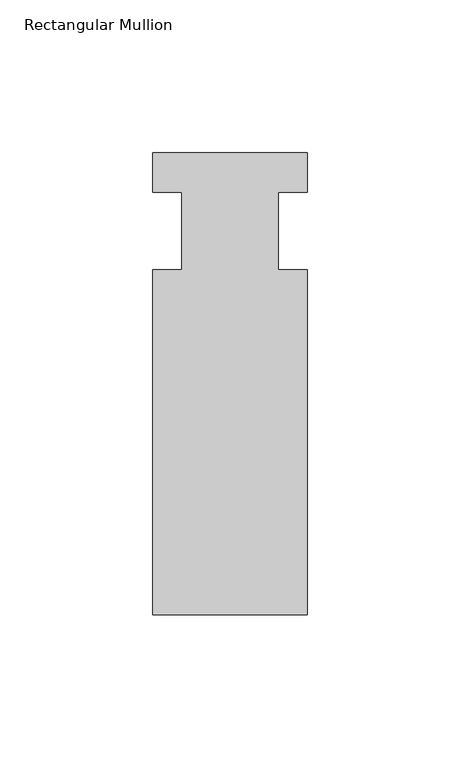
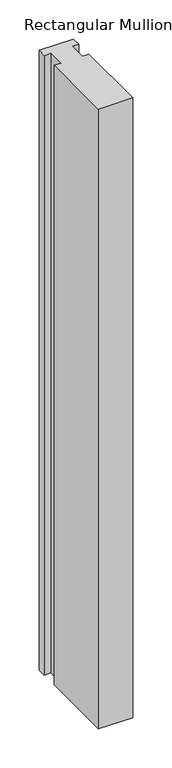
"""IFC4 building model written with IfcOpenShell, lengths in millimetres: member geometry, Rectangular Mullion."""

import ifcopenshell
import ifcopenshell.guid

model = None  # the IFC model being written
_history = None  # IfcOwnerHistory: only IFC2X3 demands one
_inside = {}  # id of a spatial element -> (the spatial element, [elements in it])
_under = {}  # id of a project, library or spatial element -> (it, [spatial elements below it])
_declared = {}  # id of a project -> (the project, [libraries it declares])
_typed = {}  # id of a type object -> (the type object, [elements of that type])
_made_of = {}  # id of a material, layer set ... -> (it, [elements and type objects made of it])


def new_model(schema):
    """Start an empty IFC model of exactly this schema.

    Asked for "IFC4X3", IfcOpenShell would pick the latest addendum, in which some entities
    have other attributes; the version numbers below select the first issue.
    IFC2X3 requires an IfcOwnerHistory on every rooted entity: one is made here for all.
    """
    global model, _history
    if schema == "IFC4X3":
        model = ifcopenshell.file(schema_version=(4, 3, 0, 0))
    else:
        model = ifcopenshell.file(schema=schema)
    _inside.clear()
    _under.clear()
    _declared.clear()
    _typed.clear()
    _made_of.clear()
    _history = None
    if model.schema == "IFC2X3":
        org = make("IfcOrganization", Name="unknown")
        user = make(
            "IfcPersonAndOrganization",
            ThePerson=make("IfcPerson", FamilyName="unknown"),
            TheOrganization=org,
        )
        app = make(
            "IfcApplication",
            ApplicationDeveloper=org,
            Version="unknown",
            ApplicationFullName="unknown",
            ApplicationIdentifier="unknown",
        )
        _history = make(
            "IfcOwnerHistory",
            OwningUser=user,
            OwningApplication=app,
            ChangeAction="ADDED",
            CreationDate=0,
        )
    return model


def make(cls, **values):
    """One entity of the class cls with the attributes given. An attribute that is None is left unset."""
    return model.create_entity(
        cls, **{name: value for name, value in values.items() if value is not None}
    )


def rooted(cls, **values):
    """An entity with a GlobalId (a new one), such as an element, a storey or a relation."""
    return make(cls, GlobalId=ifcopenshell.guid.new(), OwnerHistory=_history, **values)


def si_unit(unit_type, name, prefix=None):
    """IfcSIUnit, for example si_unit("LENGTHUNIT", "METRE", prefix="MILLI")."""
    return make("IfcSIUnit", UnitType=unit_type, Prefix=prefix, Name=name)


def assignment(units):
    """IfcUnitAssignment: the units of a project."""
    return None if units is None else make("IfcUnitAssignment", Units=units)


def point(xyz):
    """IfcCartesianPoint."""
    return None if xyz is None else make("IfcCartesianPoint", Coordinates=xyz)


def direction(xyz):
    """IfcDirection."""
    return None if xyz is None else make("IfcDirection", DirectionRatios=xyz)


def frame(location, z_axis=None, x_axis=None):
    """IfcAxis2Placement3D, a coordinate frame: its origin and axes. An axis left out is left unset."""
    return make(
        "IfcAxis2Placement3D",
        Location=point(location),
        Axis=direction(z_axis),
        RefDirection=direction(x_axis),
    )


def origin():
    """The frame at (0, 0, 0) with its axes left unset."""
    return frame((0.0, 0.0, 0.0))


def place(relative_to, where):
    """IfcLocalPlacement: puts the frame where relative to a parent placement (None: the world)."""
    return make(
        "IfcLocalPlacement", PlacementRelTo=relative_to, RelativePlacement=where
    )


def context(
    kind, dimensions, precision=None, world=None, true_north=None, identifier=None
):
    """IfcGeometricRepresentationContext, for example the 3D "Model" context."""
    return make(
        "IfcGeometricRepresentationContext",
        ContextIdentifier=identifier,
        ContextType=kind,
        CoordinateSpaceDimension=dimensions,
        Precision=precision,
        WorldCoordinateSystem=world,
        TrueNorth=true_north,
    )


def project(units=None, contexts=None):
    """IfcProject with its units and contexts."""
    return rooted(
        "IfcProject",
        Name="project",
        RepresentationContexts=contexts,
        UnitsInContext=assignment(units),
    )


def spatial(cls, under=None, at=None, **own):
    """A site, building, storey or space (cls), placed at a placement, below another one or the project."""
    s = rooted(cls, ObjectPlacement=at, **own)
    if under is not None:
        _under.setdefault(under.id(), (under, []))[1].append(s)
    return s


def polyline(points):
    """IfcPolyline through the points."""
    return make("IfcPolyline", Points=[point(p) for p in points])


def outline(outer, holes=None, kind="AREA"):
    """IfcArbitraryClosedProfileDef: a profile drawn as a closed curve; with holes, ...WithVoids."""
    if holes is None:
        return make("IfcArbitraryClosedProfileDef", ProfileType=kind, OuterCurve=outer)
    return make(
        "IfcArbitraryProfileDefWithVoids",
        ProfileType=kind,
        OuterCurve=outer,
        InnerCurves=holes,
    )


def extrude(swept, where, along, depth):
    """IfcExtrudedAreaSolid: the profile swept, set in the frame where, extruded along a direction by depth."""
    return make(
        "IfcExtrudedAreaSolid",
        SweptArea=swept,
        Position=where,
        ExtrudedDirection=direction(along),
        Depth=depth,
    )


def shape(context_of_items, identifier, shape_type, items):
    """IfcShapeRepresentation: the items that make up one representation, for example the "Body"."""
    return make(
        "IfcShapeRepresentation",
        ContextOfItems=context_of_items,
        RepresentationIdentifier=identifier,
        RepresentationType=shape_type,
        Items=items,
    )


def source(mapping_origin, context_of_items, identifier, shape_type, items):
    """IfcRepresentationMap: a shape defined once, which mapped items show again and again."""
    return make(
        "IfcRepresentationMap",
        MappingOrigin=mapping_origin,
        MappedRepresentation=shape(context_of_items, identifier, shape_type, items),
    )


def transform(
    local_origin,
    x_axis=None,
    y_axis=None,
    z_axis=None,
    scale=None,
    scale2=None,
    scale3=None,
    uniform=True,
):
    """IfcCartesianTransformationOperator3D, or its non-uniform kind. x_axis, y_axis, z_axis: its Axis1, 2, 3."""
    if uniform:
        return make(
            "IfcCartesianTransformationOperator3D",
            Axis1=direction(x_axis),
            Axis2=direction(y_axis),
            LocalOrigin=point(local_origin),
            Scale=scale,
            Axis3=direction(z_axis),
        )
    return make(
        "IfcCartesianTransformationOperator3DnonUniform",
        Axis1=direction(x_axis),
        Axis2=direction(y_axis),
        LocalOrigin=point(local_origin),
        Scale=scale,
        Axis3=direction(z_axis),
        Scale2=scale2,
        Scale3=scale3,
    )


def mapped(mapping_source, mapping_target):
    """IfcMappedItem: shows the shape of a source again, moved by a transform."""
    return make(
        "IfcMappedItem", MappingSource=mapping_source, MappingTarget=mapping_target
    )


def made_of(thing, what):
    """Note that an element or type object is made of a material, layer set ...; save() writes the relation."""
    if what is not None:
        _made_of.setdefault(what.id(), (what, []))[1].append(thing)
    return thing


def element(
    cls,
    number,
    at=None,
    inside=None,
    cuts=None,
    type_object=None,
    material=None,
    context=None,
    identifier="Body",
    shape_type=None,
    held_by="IfcProductDefinitionShape",
    body=None,
    shapes=None,
    **own,
):
    """One element of the class cls, such as IfcWall. Its Tag is "e" and its number.

    at: its placement. inside: the storey or other place that contains it. cuts: it is an
    opening in that element (IfcRelVoidsElement). A single representation is given by context,
    identifier, shape_type and body (its items); several are given by shapes. held_by: the class
    of the entity that holds the representations. save() writes the other relations.
    """
    e = rooted(cls, Tag="e%d" % number, ObjectPlacement=at, **own)
    if body is not None:
        shapes = [shape(context, identifier, shape_type, body)]
    if shapes is not None:
        e.Representation = make(held_by, Representations=shapes)
    if inside is not None:
        _inside.setdefault(inside.id(), (inside, []))[1].append(e)
    if cuts is not None:
        rooted(
            "IfcRelVoidsElement", RelatingBuildingElement=cuts, RelatedOpeningElement=e
        )
    if type_object is not None:
        _typed.setdefault(type_object.id(), (type_object, []))[1].append(e)
    return made_of(e, material)


def aggregate(whole, parts):
    """IfcRelAggregates: a whole, such as a stair, and the parts it consists of."""
    return rooted("IfcRelAggregates", RelatingObject=whole, RelatedObjects=parts)


def save(model, path):
    """Write the relations noted so far, then the file.

    IfcRelAggregates (storeys below a building ...), IfcRelContainedInSpatialStructure (elements
    in a storey), IfcRelDefinesByType, IfcRelAssociatesMaterial and IfcRelDeclares: one each for
    every whole, place, type object, material and project.
    """
    for whole, parts in _under.values():
        aggregate(whole, parts)
    for where, things in _inside.values():
        rooted(
            "IfcRelContainedInSpatialStructure",
            RelatedElements=things,
            RelatingStructure=where,
        )
    for kind, things in _typed.values():
        rooted("IfcRelDefinesByType", RelatedObjects=things, RelatingType=kind)
    for what, things in _made_of.values():
        rooted("IfcRelAssociatesMaterial", RelatedObjects=things, RelatingMaterial=what)
    for by, libraries in _declared.values():
        rooted("IfcRelDeclares", RelatingContext=by, RelatedDefinitions=libraries)
    model.write(path)


def rectangular_mullion_6ce95a26(model_context):
    return source(origin(), model_context, "Body", "SweptSolid", [
        extrude(outline(polyline([(-25.4, 25.796875), (25.4, 25.796875), (25.4, 12.7), (15.875, 12.7), (15.875, -12.7), (25.4, -12.7), (25.4, -125.809375), (-25.4, -125.809375), (-25.4, -12.7), (-15.875, -12.7), (-15.875, 12.7), (-25.4, 12.7), (-25.4, 25.796875)])), frame((0.0, 0.0, -967.42885), z_axis=(0.0, 0.0, 1.0), x_axis=(1.0, 0.0, 0.0)), (0.0, 0.0, 1.0), 967.42885),
    ])


if __name__ == "__main__":
    model = new_model("IFC4")
    model_context = context("Model", 3, world=origin())
    ifc_project = project(units=[si_unit("LENGTHUNIT", "METRE", prefix="MILLI")], contexts=[model_context])
    site = spatial("IfcSite", under=ifc_project)
    building = spatial("IfcBuilding", under=site)
    placement = place(None, origin())
    rectangular_mullion_shape = rectangular_mullion_6ce95a26(model_context)
    element("IfcMember", 1, ObjectType="Rectangular Mullion", at=placement, inside=building, context=model_context, shape_type="MappedRepresentation", body=[
        mapped(rectangular_mullion_shape, transform((0.0, 0.0, 0.0), x_axis=(1.0, 0.0, 0.0), y_axis=(0.0, 1.0, 0.0), z_axis=(0.0, 0.0, 1.0))),
    ])
    save(model, "model.ifc")
